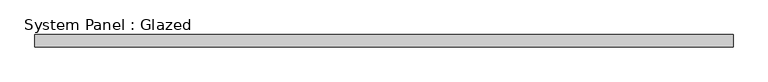
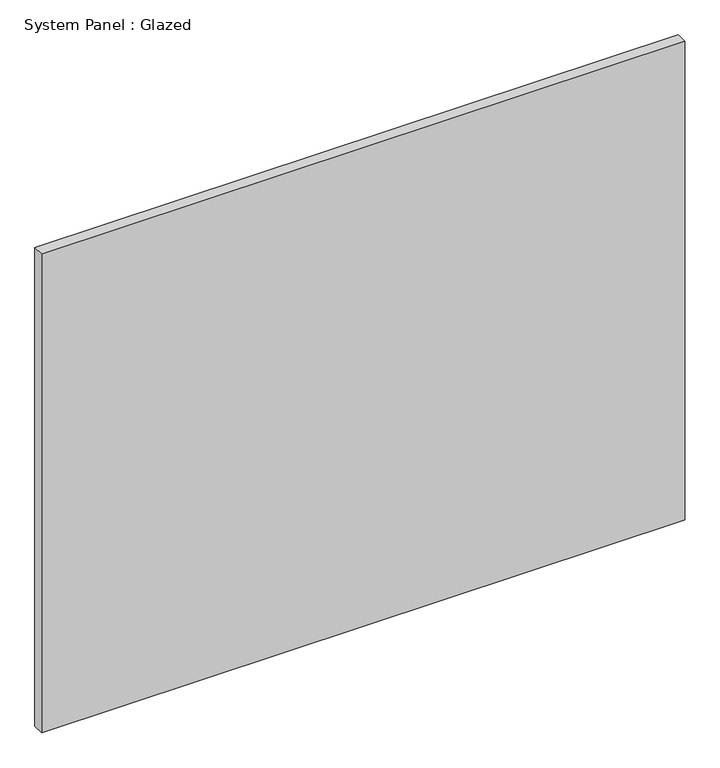
"""IFC4 building model written with IfcOpenShell, lengths in millimetres: plate geometry, System Panel : Glazed."""

from ifc_helpers import new_model, si_unit, origin, origin_with_axes, place, context, project, spatial, polyline, outline, extrude, source, transform, mapped, element, save


def system_panel_glazed_01886ce4(model_context):
    return source(origin(), model_context, "Body", "SweptSolid", [
        extrude(outline(polyline([(714.3750001, 19.05), (-714.3750001, 19.05), (-714.3750001, 44.45), (714.3750001, 44.45), (714.3750001, 19.05)])), origin_with_axes(), (0.0, 0.0, 1.0), 1123.95),
    ])


if __name__ == "__main__":
    model = new_model("IFC4")
    model_context = context("Model", 3, world=origin())
    ifc_project = project(units=[si_unit("LENGTHUNIT", "METRE", prefix="MILLI")], contexts=[model_context])
    site = spatial("IfcSite", under=ifc_project)
    building = spatial("IfcBuilding", under=site)
    placement = place(None, origin())
    system_panel_glazed_shape = system_panel_glazed_01886ce4(model_context)
    element("IfcPlate", 1, ObjectType="System Panel : Glazed", at=placement, inside=building, context=model_context, shape_type="MappedRepresentation", body=[
        mapped(system_panel_glazed_shape, transform((0.0, 0.0, 0.0), x_axis=(1.0, 0.0, 0.0), y_axis=(0.0, 1.0, 0.0), z_axis=(0.0, 0.0, 1.0))),
    ])
    save(model, "model.ifc")
